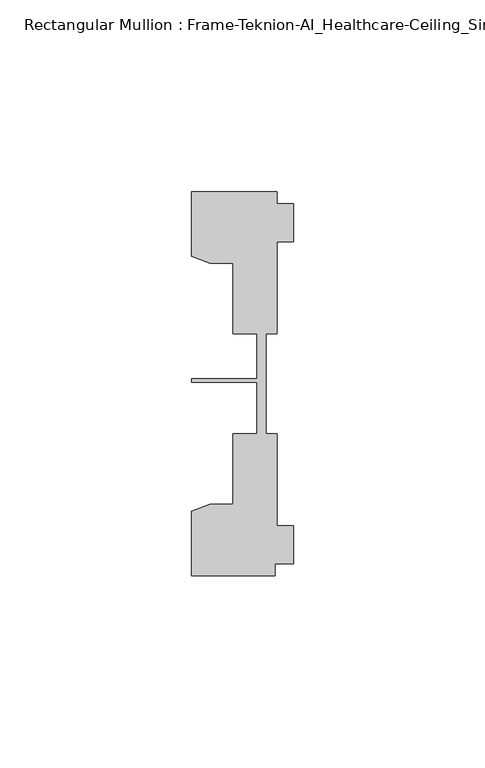
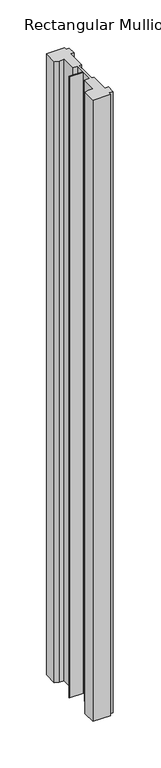
"""IFC4 building model written with IfcOpenShell, lengths in millimetres: member geometry, Rectangular Mullion : Frame-Teknion-AI_Healthcare-Ceiling_Single_Channel."""

from ifc_helpers import new_model, si_unit, frame, origin, place, context, project, spatial, polyline, outline, extrude, source, transform, mapped, element, save


def rectangular_mullion_frame_teknion_ai_healthcare_ceiling_2de07c1f(model_context):
    return source(origin(), model_context, "Body", "SweptSolid", [
        extrude(outline(polyline([(-26.4921999, -34.0201677), (-21.6625199, -32.2880982), (-15.6737764, -32.2880982), (-15.6737764, -13.9110722), (-9.4507761, -13.9110722), (-9.4507761, -0.4036528), (-26.4921999, -0.4036528), (-26.4921999, 0.4036528), (-9.4507761, 0.4036528), (-9.4507761, 12.2509301), (-15.6737764, 12.2509301), (-15.6737764, 30.6279561), (-21.6625199, 30.6279561), (-26.4921999, 32.3600207), (-26.4921999, 49.1699293), (-4.2672007, 49.1699293), (-4.2672007, 46.1219322), (0.0, 46.1219322), (0.0, 36.1219249), (-4.2672007, 36.1219249), (-4.2672007, 12.2509301), (-7.1647766, 12.2509301), (-7.1647766, -0.0814804), (-7.1647766, -13.9110722), (-4.2672007, -13.9110722), (-4.2672007, -37.7820716), (0.0, -37.7820716), (0.0, -47.782071), (-4.7752002, -47.782071), (-4.7752002, -50.8315128), (-26.4921999, -50.8315128), (-26.4921999, -34.0201677)])), frame((0.0, 0.0, -812.8), z_axis=(0.0, 0.0, 1.0), x_axis=(1.0, 0.0, 0.0)), (0.0, 0.0, 1.0), 812.8),
    ])


if __name__ == "__main__":
    model = new_model("IFC4")
    model_context = context("Model", 3, world=origin())
    ifc_project = project(units=[si_unit("LENGTHUNIT", "METRE", prefix="MILLI")], contexts=[model_context])
    site = spatial("IfcSite", under=ifc_project)
    building = spatial("IfcBuilding", under=site)
    placement = place(None, origin())
    rectangular_mullion_frame_teknion_ai_healthcare_ceiling_shape = rectangular_mullion_frame_teknion_ai_healthcare_ceiling_2de07c1f(model_context)
    element("IfcMember", 1, ObjectType="Rectangular Mullion : Frame-Teknion-AI_Healthcare-Ceiling_Single_Channel", at=placement, inside=building, context=model_context, shape_type="MappedRepresentation", body=[
        mapped(rectangular_mullion_frame_teknion_ai_healthcare_ceiling_shape, transform((0.0, 0.0, 0.0), x_axis=(1.0, 0.0, 0.0), y_axis=(0.0, 1.0, 0.0), z_axis=(0.0, 0.0, 1.0))),
    ])
    save(model, "model.ifc")
